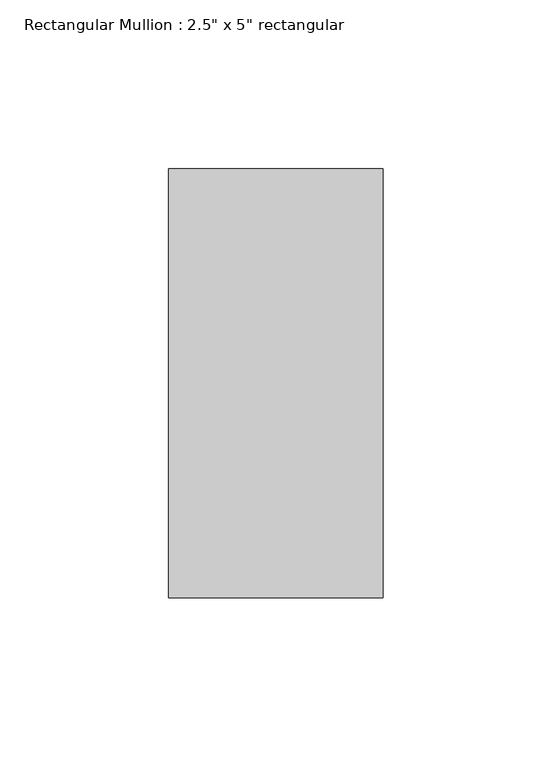
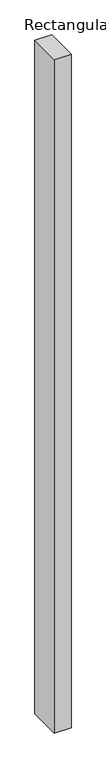
"""IFC4 building model written with IfcOpenShell, lengths in millimetres: member geometry."""

from ifc_helpers import new_model, si_unit, frame, origin, place, context, project, spatial, polyline, outline, extrude, source, transform, mapped, element, save


def member_dfec6299(model_context):
    return source(origin(), model_context, "Body", "SweptSolid", [
        extrude(outline(polyline([(0.0, 63.5), (0.0, -63.5), (-63.5, -63.5), (-63.5, 63.5), (0.0, 63.5)])), frame((0.0, 0.0, -2698.75), z_axis=(0.0, 0.0, 1.0), x_axis=(1.0, 0.0, 0.0)), (0.0, 0.0, 1.0), 2698.75),
    ])


if __name__ == "__main__":
    model = new_model("IFC4")
    model_context = context("Model", 3, world=origin())
    ifc_project = project(units=[si_unit("LENGTHUNIT", "METRE", prefix="MILLI")], contexts=[model_context])
    site = spatial("IfcSite", under=ifc_project)
    building = spatial("IfcBuilding", under=site)
    placement = place(None, origin())
    member_shape = member_dfec6299(model_context)
    element("IfcMember", 1, ObjectType="Rectangular Mullion : 2.5\" x 5\" rectangular", at=placement, inside=building, context=model_context, shape_type="MappedRepresentation", body=[
        mapped(member_shape, transform((0.0, 0.0, 0.0), x_axis=(1.0, 0.0, 0.0), y_axis=(0.0, 1.0, 0.0), z_axis=(0.0, 0.0, 1.0))),
    ])
    save(model, "model.ifc")
